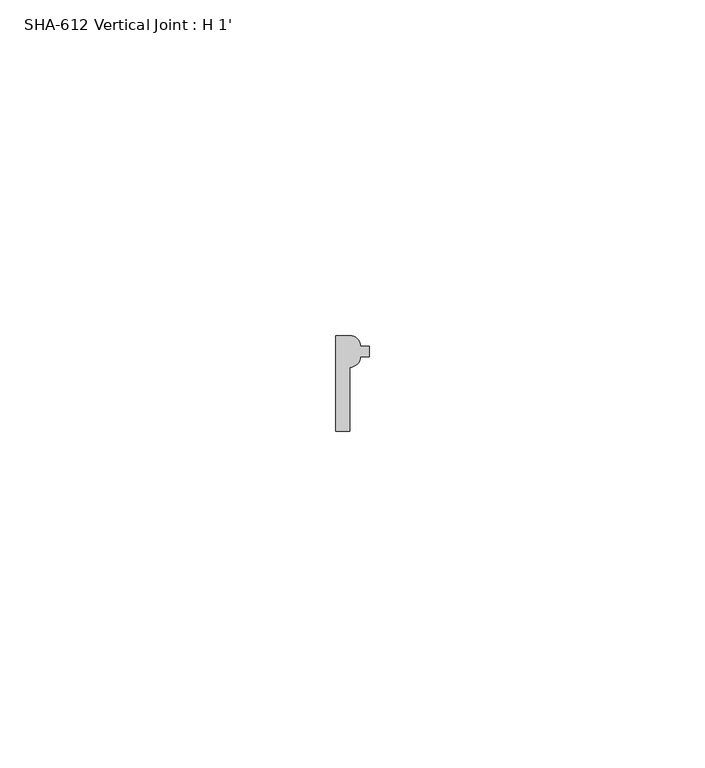
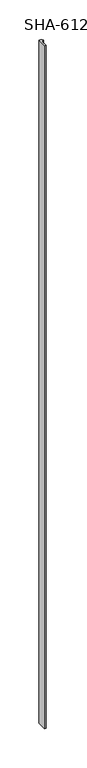
"""IFC4 building model written with IfcOpenShell, lengths in millimetres: proxy geometry, SHA-612 Vertical Joint : H 1'."""

from ifc_helpers import new_model, si_unit, point, frame_2d, origin, origin_with_axes, place, context, project, spatial, polyline, circle_curve, trimmed, segment, composite_curve, outline, extrude, source, transform, mapped, element, save


def sha_612_vertical_joint_h_1_325f72dd(model_context):
    return source(origin(), model_context, "Body", "SweptSolid", [
        extrude(outline(composite_curve([segment(trimmed(circle_curve(frame_2d((2.1336, 11.0998)), 1.5748), [point((3.7084, 11.0998))], [point((2.1336, 9.525))], False, "CARTESIAN"), True, "CONTINUOUS"), segment(polyline([(2.1336, 9.525), (2.1336, 0.0), (0.0, 0.0), (0.0, 14.2494), (2.1336, 14.2494)]), True, "CONTINUOUS"), segment(trimmed(circle_curve(frame_2d((2.1336, 12.6746)), 1.5748), [point((2.1336, 14.2494))], [point((3.7084, 12.6746))], False, "CARTESIAN"), True, "CONTINUOUS"), segment(polyline([(3.7084, 12.6746), (5.03555, 12.6746), (5.03555, 11.8872), (5.03555, 11.0998), (3.7084, 11.0998)]), True, "CONTINUOUS")], self_intersect=False)), origin_with_axes(), (0.0, 0.0, 1.0), 1063.625),
    ])


if __name__ == "__main__":
    model = new_model("IFC4")
    model_context = context("Model", 3, world=origin())
    ifc_project = project(units=[si_unit("LENGTHUNIT", "METRE", prefix="MILLI")], contexts=[model_context])
    site = spatial("IfcSite", under=ifc_project)
    building = spatial("IfcBuilding", under=site)
    placement = place(None, origin())
    sha_612_vertical_joint_h_1_shape = sha_612_vertical_joint_h_1_325f72dd(model_context)
    element("IfcBuildingElementProxy", 1, Name="SHA-612 Vertical Joint : H 1'", ObjectType="SHA-612 Vertical Joint : H 1'", at=placement, inside=building, context=model_context, shape_type="MappedRepresentation", body=[
        mapped(sha_612_vertical_joint_h_1_shape, transform((0.0, 0.0, 0.0), x_axis=(1.0, 0.0, 0.0), y_axis=(0.0, 1.0, 0.0), z_axis=(0.0, 0.0, 1.0))),
    ])
    save(model, "model.ifc")
